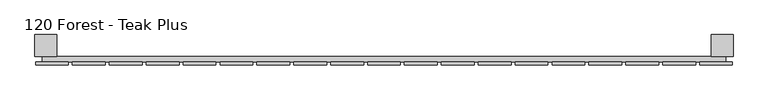
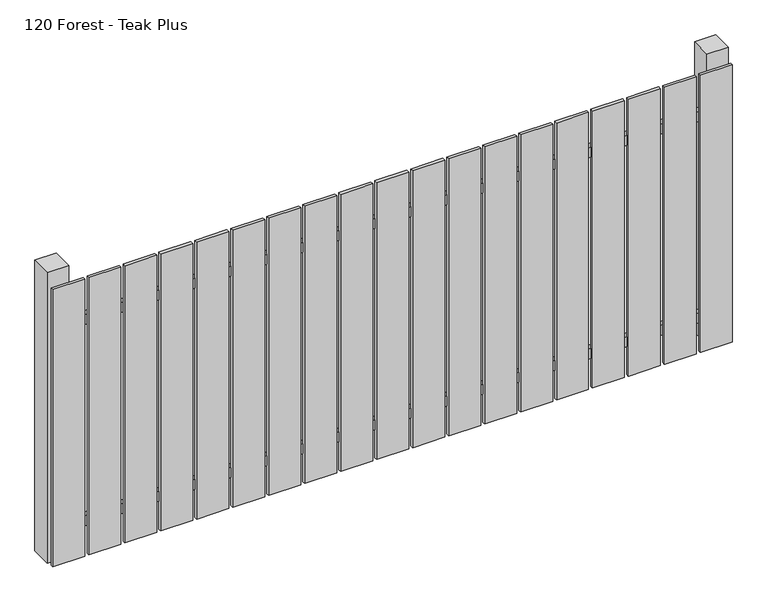
"""IFC4 building model written with IfcOpenShell, lengths in millimetres: railing geometry, 120 Forest - Teak Plus."""

from ifc_helpers import new_model, si_unit, frame, origin, origin_with_axes, place, context, project, spatial, polyline, outline, extrude, source, transform, mapped, element, save


def railing_120_forest_teak_plus_a2a01b31(model_context):
    return source(origin(), model_context, "Body", "SweptSolid", [
        extrude(outline(polyline([(6087.4299228, -92439.0267127), (6087.4299228, -92419.0267127), (8587.4299228, -92419.0267127), (8587.4299228, -92439.0267127), (6087.4299228, -92439.0267127)])), frame((0.0, 0.0, 110.0), z_axis=(0.0, 0.0, 1.0), x_axis=(1.0, 0.0, 0.0)), (0.0, 0.0, 1.0), 40.0),
        extrude(outline(polyline([(6087.4299228, -92439.0267127), (6087.4299228, -92419.0267127), (8587.4299228, -92419.0267127), (8587.4299228, -92439.0267127), (6087.4299228, -92439.0267127)])), frame((0.0, 0.0, 910.0), z_axis=(0.0, 0.0, 1.0), x_axis=(1.0, 0.0, 0.0)), (0.0, 0.0, 1.0), 40.0),
        extrude(outline(polyline([(8492.4299228, -92450.5267127), (8492.4299228, -92439.5267127), (8612.4299228, -92439.5267127), (8612.4299228, -92450.5267127), (8492.4299228, -92450.5267127)])), origin_with_axes(), (0.0, 0.0, 1.0), 1100.0),
        extrude(outline(polyline([(8357.4299228, -92450.5267127), (8357.4299228, -92439.5267127), (8477.4299228, -92439.5267127), (8477.4299228, -92450.5267127), (8357.4299228, -92450.5267127)])), origin_with_axes(), (0.0, 0.0, 1.0), 1100.0),
        extrude(outline(polyline([(8222.4299228, -92450.5267127), (8222.4299228, -92439.5267127), (8342.4299228, -92439.5267127), (8342.4299228, -92450.5267127), (8222.4299228, -92450.5267127)])), origin_with_axes(), (0.0, 0.0, 1.0), 1100.0),
        extrude(outline(polyline([(8087.4299228, -92450.5267127), (8087.4299228, -92439.5267127), (8207.4299228, -92439.5267127), (8207.4299228, -92450.5267127), (8087.4299228, -92450.5267127)])), origin_with_axes(), (0.0, 0.0, 1.0), 1100.0),
        extrude(outline(polyline([(7952.4299228, -92450.5267127), (7952.4299228, -92439.5267127), (8072.4299228, -92439.5267127), (8072.4299228, -92450.5267127), (7952.4299228, -92450.5267127)])), origin_with_axes(), (0.0, 0.0, 1.0), 1100.0),
        extrude(outline(polyline([(7817.4299228, -92450.5267127), (7817.4299228, -92439.5267127), (7937.4299228, -92439.5267127), (7937.4299228, -92450.5267127), (7817.4299228, -92450.5267127)])), origin_with_axes(), (0.0, 0.0, 1.0), 1100.0),
        extrude(outline(polyline([(7682.4299228, -92450.5267127), (7682.4299228, -92439.5267127), (7802.4299228, -92439.5267127), (7802.4299228, -92450.5267127), (7682.4299228, -92450.5267127)])), origin_with_axes(), (0.0, 0.0, 1.0), 1100.0),
        extrude(outline(polyline([(7547.4299228, -92450.5267127), (7547.4299228, -92439.5267127), (7667.4299228, -92439.5267127), (7667.4299228, -92450.5267127), (7547.4299228, -92450.5267127)])), origin_with_axes(), (0.0, 0.0, 1.0), 1100.0),
        extrude(outline(polyline([(7412.4299228, -92450.5267127), (7412.4299228, -92439.5267127), (7532.4299228, -92439.5267127), (7532.4299228, -92450.5267127), (7412.4299228, -92450.5267127)])), origin_with_axes(), (0.0, 0.0, 1.0), 1100.0),
        extrude(outline(polyline([(7277.4299228, -92450.5267127), (7277.4299228, -92439.5267127), (7397.4299228, -92439.5267127), (7397.4299228, -92450.5267127), (7277.4299228, -92450.5267127)])), origin_with_axes(), (0.0, 0.0, 1.0), 1100.0),
        extrude(outline(polyline([(7142.4299228, -92450.5267127), (7142.4299228, -92439.5267127), (7262.4299228, -92439.5267127), (7262.4299228, -92450.5267127), (7142.4299228, -92450.5267127)])), origin_with_axes(), (0.0, 0.0, 1.0), 1100.0),
        extrude(outline(polyline([(7007.4299228, -92450.5267127), (7007.4299228, -92439.5267127), (7127.4299228, -92439.5267127), (7127.4299228, -92450.5267127), (7007.4299228, -92450.5267127)])), origin_with_axes(), (0.0, 0.0, 1.0), 1100.0),
        extrude(outline(polyline([(6872.4299228, -92450.5267127), (6872.4299228, -92439.5267127), (6992.4299228, -92439.5267127), (6992.4299228, -92450.5267127), (6872.4299228, -92450.5267127)])), origin_with_axes(), (0.0, 0.0, 1.0), 1100.0),
        extrude(outline(polyline([(6737.4299228, -92450.5267127), (6737.4299228, -92439.5267127), (6857.4299228, -92439.5267127), (6857.4299228, -92450.5267127), (6737.4299228, -92450.5267127)])), origin_with_axes(), (0.0, 0.0, 1.0), 1100.0),
        extrude(outline(polyline([(6602.4299228, -92450.5267127), (6602.4299228, -92439.5267127), (6722.4299228, -92439.5267127), (6722.4299228, -92450.5267127), (6602.4299228, -92450.5267127)])), origin_with_axes(), (0.0, 0.0, 1.0), 1100.0),
        extrude(outline(polyline([(6467.4299228, -92450.5267127), (6467.4299228, -92439.5267127), (6587.4299228, -92439.5267127), (6587.4299228, -92450.5267127), (6467.4299228, -92450.5267127)])), origin_with_axes(), (0.0, 0.0, 1.0), 1100.0),
        extrude(outline(polyline([(6332.4299228, -92450.5267127), (6332.4299228, -92439.5267127), (6452.4299228, -92439.5267127), (6452.4299228, -92450.5267127), (6332.4299228, -92450.5267127)])), origin_with_axes(), (0.0, 0.0, 1.0), 1100.0),
        extrude(outline(polyline([(6197.4299228, -92450.5267127), (6197.4299228, -92439.5267127), (6317.4299228, -92439.5267127), (6317.4299228, -92450.5267127), (6197.4299228, -92450.5267127)])), origin_with_axes(), (0.0, 0.0, 1.0), 1100.0),
        extrude(outline(polyline([(6062.4299228, -92450.5267127), (6062.4299228, -92439.5267127), (6182.4299228, -92439.5267127), (6182.4299228, -92450.5267127), (6062.4299228, -92450.5267127)])), origin_with_axes(), (0.0, 0.0, 1.0), 1100.0),
        extrude(outline(polyline([(8534.9299228, -92339.0267127), (8614.9299228, -92339.0267127), (8614.9299228, -92419.0267127), (8534.9299228, -92419.0267127), (8534.9299228, -92339.0267127)])), frame((0.0, 0.0, -4.0), z_axis=(0.0, 0.0, 1.0), x_axis=(1.0, 0.0, 0.0)), (0.0, 0.0, 1.0), 1154.0),
        extrude(outline(polyline([(6059.9299228, -92339.0267127), (6139.9299228, -92339.0267127), (6139.9299228, -92419.0267127), (6059.9299228, -92419.0267127), (6059.9299228, -92339.0267127)])), frame((0.0, 0.0, -4.0), z_axis=(0.0, 0.0, 1.0), x_axis=(1.0, 0.0, 0.0)), (0.0, 0.0, 1.0), 1154.0),
    ])


if __name__ == "__main__":
    model = new_model("IFC4")
    model_context = context("Model", 3, world=origin())
    ifc_project = project(units=[si_unit("LENGTHUNIT", "METRE", prefix="MILLI")], contexts=[model_context])
    site = spatial("IfcSite", under=ifc_project)
    building = spatial("IfcBuilding", under=site)
    placement = place(None, origin())
    railing_120_forest_teak_plus_shape = railing_120_forest_teak_plus_a2a01b31(model_context)
    element("IfcRailing", 1, ObjectType="120 Forest - Teak Plus", at=placement, inside=building, context=model_context, shape_type="MappedRepresentation", body=[
        mapped(railing_120_forest_teak_plus_shape, transform((0.0, 0.0, 0.0), x_axis=(1.0, 0.0, 0.0), y_axis=(0.0, 1.0, 0.0), z_axis=(0.0, 0.0, 1.0))),
    ])
    save(model, "model.ifc")
